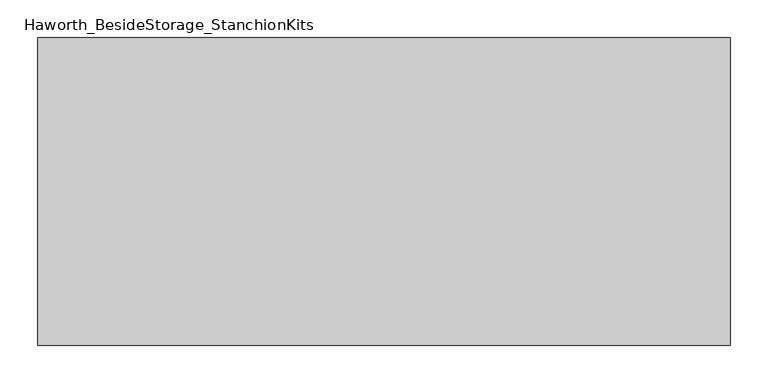
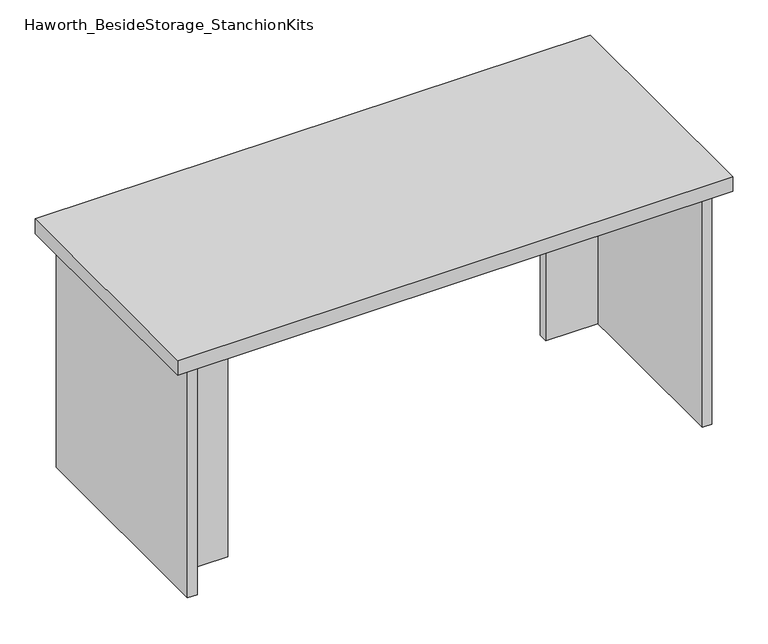
"""IFC4 building model written with IfcOpenShell, lengths in millimetres: furniture geometry, Haworth_BesideStorage_StanchionKits."""

from ifc_helpers import new_model, si_unit, frame, origin, place, context, project, spatial, polyline, outline, extrude, source, transform, mapped, element, save


def haworth_besidestorage_stanchionkits_efa3f6b7(model_context):
    return source(origin(), model_context, "Body", "SweptSolid", [
        extrude(outline(polyline([(619.125, 0.0), (619.125, -406.4), (-295.275, -406.4), (-295.275, 0.0), (619.125, 0.0)])), frame((0.0, 0.0, 838.2), z_axis=(0.0, 0.0, 1.0), x_axis=(1.0, 0.0, 0.0)), (0.0, 0.0, 1.0), 25.4),
        extrude(outline(polyline([(492.125, -76.2), (577.85, -76.2), (577.85, -92.075), (492.125, -92.075), (492.125, -76.2)])), frame((0.0, 0.0, 431.8), z_axis=(0.0, 0.0, 1.0), x_axis=(1.0, 0.0, 0.0)), (0.0, 0.0, 1.0), 406.4),
        extrude(outline(polyline([(-168.275, -314.325), (-168.275, -330.2), (-254.0, -330.2), (-254.0, -314.325), (-168.275, -314.325)])), frame((0.0, 0.0, 431.8), z_axis=(0.0, 0.0, 1.0), x_axis=(1.0, 0.0, 0.0)), (0.0, 0.0, 1.0), 406.4),
        extrude(outline(polyline([(593.725, -390.525), (577.85, -390.525), (577.85, -15.875), (593.725, -15.875), (593.725, -390.525)])), frame((0.0, 0.0, 431.8), z_axis=(0.0, 0.0, 1.0), x_axis=(1.0, 0.0, 0.0)), (0.0, 0.0, 1.0), 406.4),
        extrude(outline(polyline([(-254.0, -390.525), (-269.875, -390.525), (-269.875, -15.875), (-254.0, -15.875), (-254.0, -390.525)])), frame((0.0, 0.0, 431.8), z_axis=(0.0, 0.0, 1.0), x_axis=(1.0, 0.0, 0.0)), (0.0, 0.0, 1.0), 406.4),
    ])


if __name__ == "__main__":
    model = new_model("IFC4")
    model_context = context("Model", 3, world=origin())
    ifc_project = project(units=[si_unit("LENGTHUNIT", "METRE", prefix="MILLI")], contexts=[model_context])
    site = spatial("IfcSite", under=ifc_project)
    building = spatial("IfcBuilding", under=site)
    placement = place(None, origin())
    haworth_besidestorage_stanchionkits_shape = haworth_besidestorage_stanchionkits_efa3f6b7(model_context)
    element("IfcFurniture", 1, ObjectType="Haworth_BesideStorage_StanchionKits", at=placement, inside=building, context=model_context, shape_type="MappedRepresentation", body=[
        mapped(haworth_besidestorage_stanchionkits_shape, transform((0.0, 0.0, 0.0), x_axis=(1.0, 0.0, 0.0), y_axis=(0.0, 1.0, 0.0), z_axis=(0.0, 0.0, 1.0))),
    ])
    save(model, "model.ifc")
